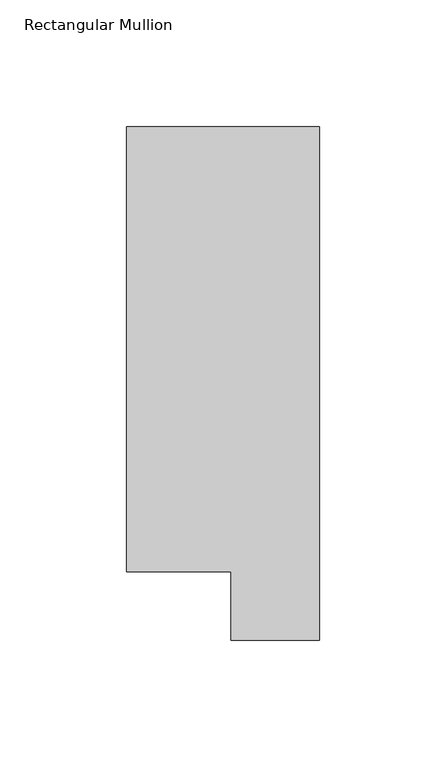
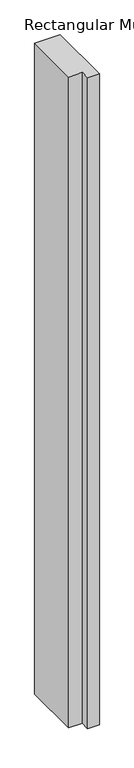
"""IFC4 building model written with IfcOpenShell, lengths in millimetres: member geometry, Rectangular Mullion."""

import ifcopenshell
import ifcopenshell.guid

model = None  # the IFC model being written
_history = None  # IfcOwnerHistory: only IFC2X3 demands one
_inside = {}  # id of a spatial element -> (the spatial element, [elements in it])
_under = {}  # id of a project, library or spatial element -> (it, [spatial elements below it])
_declared = {}  # id of a project -> (the project, [libraries it declares])
_typed = {}  # id of a type object -> (the type object, [elements of that type])
_made_of = {}  # id of a material, layer set ... -> (it, [elements and type objects made of it])


def new_model(schema):
    """Start an empty IFC model of exactly this schema.

    Asked for "IFC4X3", IfcOpenShell would pick the latest addendum, in which some entities
    have other attributes; the version numbers below select the first issue.
    IFC2X3 requires an IfcOwnerHistory on every rooted entity: one is made here for all.
    """
    global model, _history
    if schema == "IFC4X3":
        model = ifcopenshell.file(schema_version=(4, 3, 0, 0))
    else:
        model = ifcopenshell.file(schema=schema)
    _inside.clear()
    _under.clear()
    _declared.clear()
    _typed.clear()
    _made_of.clear()
    _history = None
    if model.schema == "IFC2X3":
        org = make("IfcOrganization", Name="unknown")
        user = make(
            "IfcPersonAndOrganization",
            ThePerson=make("IfcPerson", FamilyName="unknown"),
            TheOrganization=org,
        )
        app = make(
            "IfcApplication",
            ApplicationDeveloper=org,
            Version="unknown",
            ApplicationFullName="unknown",
            ApplicationIdentifier="unknown",
        )
        _history = make(
            "IfcOwnerHistory",
            OwningUser=user,
            OwningApplication=app,
            ChangeAction="ADDED",
            CreationDate=0,
        )
    return model


def make(cls, **values):
    """One entity of the class cls with the attributes given. An attribute that is None is left unset."""
    return model.create_entity(
        cls, **{name: value for name, value in values.items() if value is not None}
    )


def rooted(cls, **values):
    """An entity with a GlobalId (a new one), such as an element, a storey or a relation."""
    return make(cls, GlobalId=ifcopenshell.guid.new(), OwnerHistory=_history, **values)


def si_unit(unit_type, name, prefix=None):
    """IfcSIUnit, for example si_unit("LENGTHUNIT", "METRE", prefix="MILLI")."""
    return make("IfcSIUnit", UnitType=unit_type, Prefix=prefix, Name=name)


def assignment(units):
    """IfcUnitAssignment: the units of a project."""
    return None if units is None else make("IfcUnitAssignment", Units=units)


def point(xyz):
    """IfcCartesianPoint."""
    return None if xyz is None else make("IfcCartesianPoint", Coordinates=xyz)


def direction(xyz):
    """IfcDirection."""
    return None if xyz is None else make("IfcDirection", DirectionRatios=xyz)


def frame(location, z_axis=None, x_axis=None):
    """IfcAxis2Placement3D, a coordinate frame: its origin and axes. An axis left out is left unset."""
    return make(
        "IfcAxis2Placement3D",
        Location=point(location),
        Axis=direction(z_axis),
        RefDirection=direction(x_axis),
    )


def origin():
    """The frame at (0, 0, 0) with its axes left unset."""
    return frame((0.0, 0.0, 0.0))


def place(relative_to, where):
    """IfcLocalPlacement: puts the frame where relative to a parent placement (None: the world)."""
    return make(
        "IfcLocalPlacement", PlacementRelTo=relative_to, RelativePlacement=where
    )


def context(
    kind, dimensions, precision=None, world=None, true_north=None, identifier=None
):
    """IfcGeometricRepresentationContext, for example the 3D "Model" context."""
    return make(
        "IfcGeometricRepresentationContext",
        ContextIdentifier=identifier,
        ContextType=kind,
        CoordinateSpaceDimension=dimensions,
        Precision=precision,
        WorldCoordinateSystem=world,
        TrueNorth=true_north,
    )


def project(units=None, contexts=None):
    """IfcProject with its units and contexts."""
    return rooted(
        "IfcProject",
        Name="project",
        RepresentationContexts=contexts,
        UnitsInContext=assignment(units),
    )


def spatial(cls, under=None, at=None, **own):
    """A site, building, storey or space (cls), placed at a placement, below another one or the project."""
    s = rooted(cls, ObjectPlacement=at, **own)
    if under is not None:
        _under.setdefault(under.id(), (under, []))[1].append(s)
    return s


def polyline(points):
    """IfcPolyline through the points."""
    return make("IfcPolyline", Points=[point(p) for p in points])


def outline(outer, holes=None, kind="AREA"):
    """IfcArbitraryClosedProfileDef: a profile drawn as a closed curve; with holes, ...WithVoids."""
    if holes is None:
        return make("IfcArbitraryClosedProfileDef", ProfileType=kind, OuterCurve=outer)
    return make(
        "IfcArbitraryProfileDefWithVoids",
        ProfileType=kind,
        OuterCurve=outer,
        InnerCurves=holes,
    )


def extrude(swept, where, along, depth):
    """IfcExtrudedAreaSolid: the profile swept, set in the frame where, extruded along a direction by depth."""
    return make(
        "IfcExtrudedAreaSolid",
        SweptArea=swept,
        Position=where,
        ExtrudedDirection=direction(along),
        Depth=depth,
    )


def shape(context_of_items, identifier, shape_type, items):
    """IfcShapeRepresentation: the items that make up one representation, for example the "Body"."""
    return make(
        "IfcShapeRepresentation",
        ContextOfItems=context_of_items,
        RepresentationIdentifier=identifier,
        RepresentationType=shape_type,
        Items=items,
    )


def source(mapping_origin, context_of_items, identifier, shape_type, items):
    """IfcRepresentationMap: a shape defined once, which mapped items show again and again."""
    return make(
        "IfcRepresentationMap",
        MappingOrigin=mapping_origin,
        MappedRepresentation=shape(context_of_items, identifier, shape_type, items),
    )


def transform(
    local_origin,
    x_axis=None,
    y_axis=None,
    z_axis=None,
    scale=None,
    scale2=None,
    scale3=None,
    uniform=True,
):
    """IfcCartesianTransformationOperator3D, or its non-uniform kind. x_axis, y_axis, z_axis: its Axis1, 2, 3."""
    if uniform:
        return make(
            "IfcCartesianTransformationOperator3D",
            Axis1=direction(x_axis),
            Axis2=direction(y_axis),
            LocalOrigin=point(local_origin),
            Scale=scale,
            Axis3=direction(z_axis),
        )
    return make(
        "IfcCartesianTransformationOperator3DnonUniform",
        Axis1=direction(x_axis),
        Axis2=direction(y_axis),
        LocalOrigin=point(local_origin),
        Scale=scale,
        Axis3=direction(z_axis),
        Scale2=scale2,
        Scale3=scale3,
    )


def mapped(mapping_source, mapping_target):
    """IfcMappedItem: shows the shape of a source again, moved by a transform."""
    return make(
        "IfcMappedItem", MappingSource=mapping_source, MappingTarget=mapping_target
    )


def made_of(thing, what):
    """Note that an element or type object is made of a material, layer set ...; save() writes the relation."""
    if what is not None:
        _made_of.setdefault(what.id(), (what, []))[1].append(thing)
    return thing


def element(
    cls,
    number,
    at=None,
    inside=None,
    cuts=None,
    type_object=None,
    material=None,
    context=None,
    identifier="Body",
    shape_type=None,
    held_by="IfcProductDefinitionShape",
    body=None,
    shapes=None,
    **own,
):
    """One element of the class cls, such as IfcWall. Its Tag is "e" and its number.

    at: its placement. inside: the storey or other place that contains it. cuts: it is an
    opening in that element (IfcRelVoidsElement). A single representation is given by context,
    identifier, shape_type and body (its items); several are given by shapes. held_by: the class
    of the entity that holds the representations. save() writes the other relations.
    """
    e = rooted(cls, Tag="e%d" % number, ObjectPlacement=at, **own)
    if body is not None:
        shapes = [shape(context, identifier, shape_type, body)]
    if shapes is not None:
        e.Representation = make(held_by, Representations=shapes)
    if inside is not None:
        _inside.setdefault(inside.id(), (inside, []))[1].append(e)
    if cuts is not None:
        rooted(
            "IfcRelVoidsElement", RelatingBuildingElement=cuts, RelatedOpeningElement=e
        )
    if type_object is not None:
        _typed.setdefault(type_object.id(), (type_object, []))[1].append(e)
    return made_of(e, material)


def aggregate(whole, parts):
    """IfcRelAggregates: a whole, such as a stair, and the parts it consists of."""
    return rooted("IfcRelAggregates", RelatingObject=whole, RelatedObjects=parts)


def save(model, path):
    """Write the relations noted so far, then the file.

    IfcRelAggregates (storeys below a building ...), IfcRelContainedInSpatialStructure (elements
    in a storey), IfcRelDefinesByType, IfcRelAssociatesMaterial and IfcRelDeclares: one each for
    every whole, place, type object, material and project.
    """
    for whole, parts in _under.values():
        aggregate(whole, parts)
    for where, things in _inside.values():
        rooted(
            "IfcRelContainedInSpatialStructure",
            RelatedElements=things,
            RelatingStructure=where,
        )
    for kind, things in _typed.values():
        rooted("IfcRelDefinesByType", RelatedObjects=things, RelatingType=kind)
    for what, things in _made_of.values():
        rooted("IfcRelAssociatesMaterial", RelatedObjects=things, RelatingMaterial=what)
    for by, libraries in _declared.values():
        rooted("IfcRelDeclares", RelatingContext=by, RelatedDefinitions=libraries)
    model.write(path)


def rectangular_mullion_fe8404f5(model_context):
    return source(origin(), model_context, "Body", "SweptSolid", [
        extrude(outline(polyline([(0.0, 222.5381312), (0.0, 19.5667312), (-34.9123, 19.5667312), (-34.9123, 46.7447302), (-76.2, 46.7447302), (-76.2, 222.5381312), (0.0, 222.5381312)])), frame((0.0, 0.0, -2057.3999999), z_axis=(0.0, 0.0, 1.0), x_axis=(1.0, 0.0, 0.0)), (0.0, 0.0, 1.0), 2057.3999999),
    ])


if __name__ == "__main__":
    model = new_model("IFC4")
    model_context = context("Model", 3, world=origin())
    ifc_project = project(units=[si_unit("LENGTHUNIT", "METRE", prefix="MILLI")], contexts=[model_context])
    site = spatial("IfcSite", under=ifc_project)
    building = spatial("IfcBuilding", under=site)
    placement = place(None, origin())
    rectangular_mullion_shape = rectangular_mullion_fe8404f5(model_context)
    element("IfcMember", 1, ObjectType="Rectangular Mullion", at=placement, inside=building, context=model_context, shape_type="MappedRepresentation", body=[
        mapped(rectangular_mullion_shape, transform((0.0, 0.0, 0.0), x_axis=(1.0, 0.0, 0.0), y_axis=(0.0, 1.0, 0.0), z_axis=(0.0, 0.0, 1.0))),
    ])
    save(model, "model.ifc")
